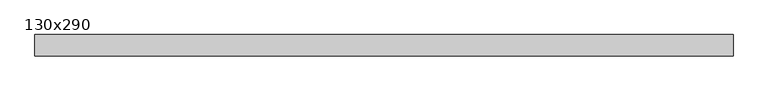
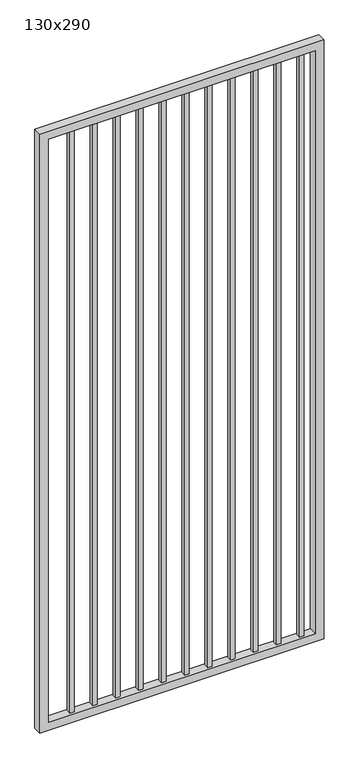
"""IFC4 building model written with IfcOpenShell, lengths in millimetres: proxy geometry, 130x290."""

import ifcopenshell
import ifcopenshell.guid

model = None  # the IFC model being written
_history = None  # IfcOwnerHistory: only IFC2X3 demands one
_inside = {}  # id of a spatial element -> (the spatial element, [elements in it])
_under = {}  # id of a project, library or spatial element -> (it, [spatial elements below it])
_declared = {}  # id of a project -> (the project, [libraries it declares])
_typed = {}  # id of a type object -> (the type object, [elements of that type])
_made_of = {}  # id of a material, layer set ... -> (it, [elements and type objects made of it])


def new_model(schema):
    """Start an empty IFC model of exactly this schema.

    Asked for "IFC4X3", IfcOpenShell would pick the latest addendum, in which some entities
    have other attributes; the version numbers below select the first issue.
    IFC2X3 requires an IfcOwnerHistory on every rooted entity: one is made here for all.
    """
    global model, _history
    if schema == "IFC4X3":
        model = ifcopenshell.file(schema_version=(4, 3, 0, 0))
    else:
        model = ifcopenshell.file(schema=schema)
    _inside.clear()
    _under.clear()
    _declared.clear()
    _typed.clear()
    _made_of.clear()
    _history = None
    if model.schema == "IFC2X3":
        org = make("IfcOrganization", Name="unknown")
        user = make(
            "IfcPersonAndOrganization",
            ThePerson=make("IfcPerson", FamilyName="unknown"),
            TheOrganization=org,
        )
        app = make(
            "IfcApplication",
            ApplicationDeveloper=org,
            Version="unknown",
            ApplicationFullName="unknown",
            ApplicationIdentifier="unknown",
        )
        _history = make(
            "IfcOwnerHistory",
            OwningUser=user,
            OwningApplication=app,
            ChangeAction="ADDED",
            CreationDate=0,
        )
    return model


def make(cls, **values):
    """One entity of the class cls with the attributes given. An attribute that is None is left unset."""
    return model.create_entity(
        cls, **{name: value for name, value in values.items() if value is not None}
    )


def rooted(cls, **values):
    """An entity with a GlobalId (a new one), such as an element, a storey or a relation."""
    return make(cls, GlobalId=ifcopenshell.guid.new(), OwnerHistory=_history, **values)


def si_unit(unit_type, name, prefix=None):
    """IfcSIUnit, for example si_unit("LENGTHUNIT", "METRE", prefix="MILLI")."""
    return make("IfcSIUnit", UnitType=unit_type, Prefix=prefix, Name=name)


def assignment(units):
    """IfcUnitAssignment: the units of a project."""
    return None if units is None else make("IfcUnitAssignment", Units=units)


def point(xyz):
    """IfcCartesianPoint."""
    return None if xyz is None else make("IfcCartesianPoint", Coordinates=xyz)


def direction(xyz):
    """IfcDirection."""
    return None if xyz is None else make("IfcDirection", DirectionRatios=xyz)


def frame(location, z_axis=None, x_axis=None):
    """IfcAxis2Placement3D, a coordinate frame: its origin and axes. An axis left out is left unset."""
    return make(
        "IfcAxis2Placement3D",
        Location=point(location),
        Axis=direction(z_axis),
        RefDirection=direction(x_axis),
    )


def origin():
    """The frame at (0, 0, 0) with its axes left unset."""
    return frame((0.0, 0.0, 0.0))


def place(relative_to, where):
    """IfcLocalPlacement: puts the frame where relative to a parent placement (None: the world)."""
    return make(
        "IfcLocalPlacement", PlacementRelTo=relative_to, RelativePlacement=where
    )


def context(
    kind, dimensions, precision=None, world=None, true_north=None, identifier=None
):
    """IfcGeometricRepresentationContext, for example the 3D "Model" context."""
    return make(
        "IfcGeometricRepresentationContext",
        ContextIdentifier=identifier,
        ContextType=kind,
        CoordinateSpaceDimension=dimensions,
        Precision=precision,
        WorldCoordinateSystem=world,
        TrueNorth=true_north,
    )


def project(units=None, contexts=None):
    """IfcProject with its units and contexts."""
    return rooted(
        "IfcProject",
        Name="project",
        RepresentationContexts=contexts,
        UnitsInContext=assignment(units),
    )


def spatial(cls, under=None, at=None, **own):
    """A site, building, storey or space (cls), placed at a placement, below another one or the project."""
    s = rooted(cls, ObjectPlacement=at, **own)
    if under is not None:
        _under.setdefault(under.id(), (under, []))[1].append(s)
    return s


def polyline(points):
    """IfcPolyline through the points."""
    return make("IfcPolyline", Points=[point(p) for p in points])


def outline(outer, holes=None, kind="AREA"):
    """IfcArbitraryClosedProfileDef: a profile drawn as a closed curve; with holes, ...WithVoids."""
    if holes is None:
        return make("IfcArbitraryClosedProfileDef", ProfileType=kind, OuterCurve=outer)
    return make(
        "IfcArbitraryProfileDefWithVoids",
        ProfileType=kind,
        OuterCurve=outer,
        InnerCurves=holes,
    )


def extrude(swept, where, along, depth):
    """IfcExtrudedAreaSolid: the profile swept, set in the frame where, extruded along a direction by depth."""
    return make(
        "IfcExtrudedAreaSolid",
        SweptArea=swept,
        Position=where,
        ExtrudedDirection=direction(along),
        Depth=depth,
    )


def shape(context_of_items, identifier, shape_type, items):
    """IfcShapeRepresentation: the items that make up one representation, for example the "Body"."""
    return make(
        "IfcShapeRepresentation",
        ContextOfItems=context_of_items,
        RepresentationIdentifier=identifier,
        RepresentationType=shape_type,
        Items=items,
    )


def source(mapping_origin, context_of_items, identifier, shape_type, items):
    """IfcRepresentationMap: a shape defined once, which mapped items show again and again."""
    return make(
        "IfcRepresentationMap",
        MappingOrigin=mapping_origin,
        MappedRepresentation=shape(context_of_items, identifier, shape_type, items),
    )


def transform(
    local_origin,
    x_axis=None,
    y_axis=None,
    z_axis=None,
    scale=None,
    scale2=None,
    scale3=None,
    uniform=True,
):
    """IfcCartesianTransformationOperator3D, or its non-uniform kind. x_axis, y_axis, z_axis: its Axis1, 2, 3."""
    if uniform:
        return make(
            "IfcCartesianTransformationOperator3D",
            Axis1=direction(x_axis),
            Axis2=direction(y_axis),
            LocalOrigin=point(local_origin),
            Scale=scale,
            Axis3=direction(z_axis),
        )
    return make(
        "IfcCartesianTransformationOperator3DnonUniform",
        Axis1=direction(x_axis),
        Axis2=direction(y_axis),
        LocalOrigin=point(local_origin),
        Scale=scale,
        Axis3=direction(z_axis),
        Scale2=scale2,
        Scale3=scale3,
    )


def mapped(mapping_source, mapping_target):
    """IfcMappedItem: shows the shape of a source again, moved by a transform."""
    return make(
        "IfcMappedItem", MappingSource=mapping_source, MappingTarget=mapping_target
    )


def made_of(thing, what):
    """Note that an element or type object is made of a material, layer set ...; save() writes the relation."""
    if what is not None:
        _made_of.setdefault(what.id(), (what, []))[1].append(thing)
    return thing


def element(
    cls,
    number,
    at=None,
    inside=None,
    cuts=None,
    type_object=None,
    material=None,
    context=None,
    identifier="Body",
    shape_type=None,
    held_by="IfcProductDefinitionShape",
    body=None,
    shapes=None,
    **own,
):
    """One element of the class cls, such as IfcWall. Its Tag is "e" and its number.

    at: its placement. inside: the storey or other place that contains it. cuts: it is an
    opening in that element (IfcRelVoidsElement). A single representation is given by context,
    identifier, shape_type and body (its items); several are given by shapes. held_by: the class
    of the entity that holds the representations. save() writes the other relations.
    """
    e = rooted(cls, Tag="e%d" % number, ObjectPlacement=at, **own)
    if body is not None:
        shapes = [shape(context, identifier, shape_type, body)]
    if shapes is not None:
        e.Representation = make(held_by, Representations=shapes)
    if inside is not None:
        _inside.setdefault(inside.id(), (inside, []))[1].append(e)
    if cuts is not None:
        rooted(
            "IfcRelVoidsElement", RelatingBuildingElement=cuts, RelatedOpeningElement=e
        )
    if type_object is not None:
        _typed.setdefault(type_object.id(), (type_object, []))[1].append(e)
    return made_of(e, material)


def aggregate(whole, parts):
    """IfcRelAggregates: a whole, such as a stair, and the parts it consists of."""
    return rooted("IfcRelAggregates", RelatingObject=whole, RelatedObjects=parts)


def save(model, path):
    """Write the relations noted so far, then the file.

    IfcRelAggregates (storeys below a building ...), IfcRelContainedInSpatialStructure (elements
    in a storey), IfcRelDefinesByType, IfcRelAssociatesMaterial and IfcRelDeclares: one each for
    every whole, place, type object, material and project.
    """
    for whole, parts in _under.values():
        aggregate(whole, parts)
    for where, things in _inside.values():
        rooted(
            "IfcRelContainedInSpatialStructure",
            RelatedElements=things,
            RelatingStructure=where,
        )
    for kind, things in _typed.values():
        rooted("IfcRelDefinesByType", RelatedObjects=things, RelatingType=kind)
    for what, things in _made_of.values():
        rooted("IfcRelAssociatesMaterial", RelatedObjects=things, RelatingMaterial=what)
    for by, libraries in _declared.values():
        rooted("IfcRelDeclares", RelatingContext=by, RelatedDefinitions=libraries)
    model.write(path)


def proxy_130x290_c5ef71aa(model_context):
    return source(origin(), model_context, "Body", "SweptSolid", [
        extrude(outline(polyline([(1203.325, -9.525), (1184.275, -9.525), (1184.275, 9.525), (1203.325, 9.525), (1203.325, -9.525)])), frame((0.0, 0.0, 139.7), z_axis=(0.0, 0.0, 1.0), x_axis=(1.0, 0.0, 0.0)), (0.0, 0.0, 1.0), 2730.0),
        extrude(outline(polyline([(1101.725, -9.525), (1082.675, -9.525), (1082.675, 9.525), (1101.725, 9.525), (1101.725, -9.525)])), frame((0.0, 0.0, 139.7), z_axis=(0.0, 0.0, 1.0), x_axis=(1.0, 0.0, 0.0)), (0.0, 0.0, 1.0), 2730.0),
        extrude(outline(polyline([(1000.125, -9.525), (981.075, -9.525), (981.075, 9.525), (1000.125, 9.525), (1000.125, -9.525)])), frame((0.0, 0.0, 139.7), z_axis=(0.0, 0.0, 1.0), x_axis=(1.0, 0.0, 0.0)), (0.0, 0.0, 1.0), 2730.0),
        extrude(outline(polyline([(898.525, -9.525), (879.475, -9.525), (879.475, 9.525), (898.525, 9.525), (898.525, -9.525)])), frame((0.0, 0.0, 139.7), z_axis=(0.0, 0.0, 1.0), x_axis=(1.0, 0.0, 0.0)), (0.0, 0.0, 1.0), 2730.0),
        extrude(outline(polyline([(796.925, -9.525), (777.875, -9.525), (777.875, 9.525), (796.925, 9.525), (796.925, -9.525)])), frame((0.0, 0.0, 139.7), z_axis=(0.0, 0.0, 1.0), x_axis=(1.0, 0.0, 0.0)), (0.0, 0.0, 1.0), 2730.0),
        extrude(outline(polyline([(695.325, -9.525), (676.275, -9.525), (676.275, 9.525), (695.325, 9.525), (695.325, -9.525)])), frame((0.0, 0.0, 139.7), z_axis=(0.0, 0.0, 1.0), x_axis=(1.0, 0.0, 0.0)), (0.0, 0.0, 1.0), 2730.0),
        extrude(outline(polyline([(593.725, -9.525), (574.675, -9.525), (574.675, 9.525), (593.725, 9.525), (593.725, -9.525)])), frame((0.0, 0.0, 139.7), z_axis=(0.0, 0.0, 1.0), x_axis=(1.0, 0.0, 0.0)), (0.0, 0.0, 1.0), 2730.0),
        extrude(outline(polyline([(492.125, -9.525), (473.075, -9.525), (473.075, 9.525), (492.125, 9.525), (492.125, -9.525)])), frame((0.0, 0.0, 139.7), z_axis=(0.0, 0.0, 1.0), x_axis=(1.0, 0.0, 0.0)), (0.0, 0.0, 1.0), 2730.0),
        extrude(outline(polyline([(390.525, -9.525), (371.475, -9.525), (371.475, 9.525), (390.525, 9.525), (390.525, -9.525)])), frame((0.0, 0.0, 139.7), z_axis=(0.0, 0.0, 1.0), x_axis=(1.0, 0.0, 0.0)), (0.0, 0.0, 1.0), 2730.0),
        extrude(outline(polyline([(288.925, -9.525), (269.875, -9.525), (269.875, 9.525), (288.925, 9.525), (288.925, -9.525)])), frame((0.0, 0.0, 139.7), z_axis=(0.0, 0.0, 1.0), x_axis=(1.0, 0.0, 0.0)), (0.0, 0.0, 1.0), 2730.0),
        extrude(outline(polyline([(187.325, -9.525), (168.275, -9.525), (168.275, 9.525), (187.325, 9.525), (187.325, -9.525)])), frame((0.0, 0.0, 139.7), z_axis=(0.0, 0.0, 1.0), x_axis=(1.0, 0.0, 0.0)), (0.0, 0.0, 1.0), 2730.0),
        extrude(outline(polyline([(2900.0, 1287.3), (2900.0, 30.0), (101.6, 30.0), (101.6, 1287.3), (2900.0, 1287.3)]), holes=[polyline([(139.7, 1249.2), (139.7, 68.1), (2861.9, 68.1), (2861.9, 1249.2), (139.7, 1249.2)])]), frame((0.0, -19.05, 0.0), z_axis=(0.0, 1.0, 0.0), x_axis=(0.0, 0.0, 1.0)), (0.0, 0.0, 1.0), 38.1),
    ])


if __name__ == "__main__":
    model = new_model("IFC4")
    model_context = context("Model", 3, world=origin())
    ifc_project = project(units=[si_unit("LENGTHUNIT", "METRE", prefix="MILLI")], contexts=[model_context])
    site = spatial("IfcSite", under=ifc_project)
    building = spatial("IfcBuilding", under=site)
    placement = place(None, origin())
    proxy_130x290_shape = proxy_130x290_c5ef71aa(model_context)
    element("IfcBuildingElementProxy", 1, Name="130x290", ObjectType="130x290", at=placement, inside=building, context=model_context, shape_type="MappedRepresentation", body=[
        mapped(proxy_130x290_shape, transform((0.0, 0.0, 0.0), x_axis=(1.0, 0.0, 0.0), y_axis=(0.0, 1.0, 0.0), z_axis=(0.0, 0.0, 1.0))),
    ])
    save(model, "model.ifc")
